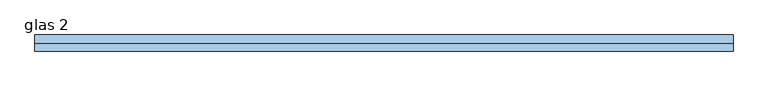
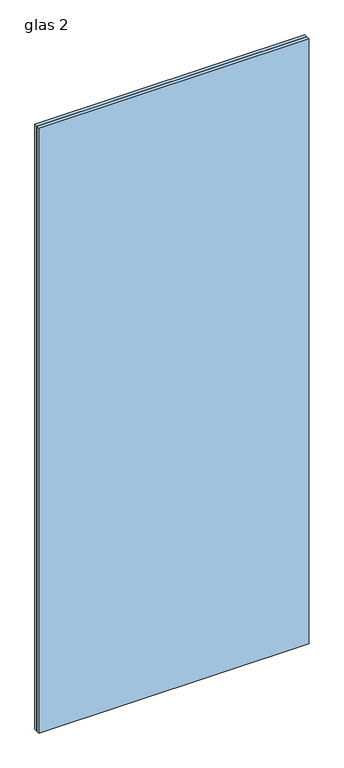
"""IFC4 building model written with IfcOpenShell, lengths in millimetres: window geometry, glas 2."""

import ifcopenshell
import ifcopenshell.guid

model = None  # the IFC model being written
_history = None  # IfcOwnerHistory: only IFC2X3 demands one
_inside = {}  # id of a spatial element -> (the spatial element, [elements in it])
_under = {}  # id of a project, library or spatial element -> (it, [spatial elements below it])
_declared = {}  # id of a project -> (the project, [libraries it declares])
_typed = {}  # id of a type object -> (the type object, [elements of that type])
_made_of = {}  # id of a material, layer set ... -> (it, [elements and type objects made of it])


def new_model(schema):
    """Start an empty IFC model of exactly this schema.

    Asked for "IFC4X3", IfcOpenShell would pick the latest addendum, in which some entities
    have other attributes; the version numbers below select the first issue.
    IFC2X3 requires an IfcOwnerHistory on every rooted entity: one is made here for all.
    """
    global model, _history
    if schema == "IFC4X3":
        model = ifcopenshell.file(schema_version=(4, 3, 0, 0))
    else:
        model = ifcopenshell.file(schema=schema)
    _inside.clear()
    _under.clear()
    _declared.clear()
    _typed.clear()
    _made_of.clear()
    _history = None
    if model.schema == "IFC2X3":
        org = make("IfcOrganization", Name="unknown")
        user = make(
            "IfcPersonAndOrganization",
            ThePerson=make("IfcPerson", FamilyName="unknown"),
            TheOrganization=org,
        )
        app = make(
            "IfcApplication",
            ApplicationDeveloper=org,
            Version="unknown",
            ApplicationFullName="unknown",
            ApplicationIdentifier="unknown",
        )
        _history = make(
            "IfcOwnerHistory",
            OwningUser=user,
            OwningApplication=app,
            ChangeAction="ADDED",
            CreationDate=0,
        )
    return model


def make(cls, **values):
    """One entity of the class cls with the attributes given. An attribute that is None is left unset."""
    return model.create_entity(
        cls, **{name: value for name, value in values.items() if value is not None}
    )


def rooted(cls, **values):
    """An entity with a GlobalId (a new one), such as an element, a storey or a relation."""
    return make(cls, GlobalId=ifcopenshell.guid.new(), OwnerHistory=_history, **values)


def si_unit(unit_type, name, prefix=None):
    """IfcSIUnit, for example si_unit("LENGTHUNIT", "METRE", prefix="MILLI")."""
    return make("IfcSIUnit", UnitType=unit_type, Prefix=prefix, Name=name)


def assignment(units):
    """IfcUnitAssignment: the units of a project."""
    return None if units is None else make("IfcUnitAssignment", Units=units)


def point(xyz):
    """IfcCartesianPoint."""
    return None if xyz is None else make("IfcCartesianPoint", Coordinates=xyz)


def direction(xyz):
    """IfcDirection."""
    return None if xyz is None else make("IfcDirection", DirectionRatios=xyz)


def frame(location, z_axis=None, x_axis=None):
    """IfcAxis2Placement3D, a coordinate frame: its origin and axes. An axis left out is left unset."""
    return make(
        "IfcAxis2Placement3D",
        Location=point(location),
        Axis=direction(z_axis),
        RefDirection=direction(x_axis),
    )


def origin():
    """The frame at (0, 0, 0) with its axes left unset."""
    return frame((0.0, 0.0, 0.0))


def origin_with_axes():
    """The frame at (0, 0, 0) with the z axis (0, 0, 1) and the x axis (1, 0, 0) written out."""
    return frame((0.0, 0.0, 0.0), z_axis=(0.0, 0.0, 1.0), x_axis=(1.0, 0.0, 0.0))


def place(relative_to, where):
    """IfcLocalPlacement: puts the frame where relative to a parent placement (None: the world)."""
    return make(
        "IfcLocalPlacement", PlacementRelTo=relative_to, RelativePlacement=where
    )


def context(
    kind, dimensions, precision=None, world=None, true_north=None, identifier=None
):
    """IfcGeometricRepresentationContext, for example the 3D "Model" context."""
    return make(
        "IfcGeometricRepresentationContext",
        ContextIdentifier=identifier,
        ContextType=kind,
        CoordinateSpaceDimension=dimensions,
        Precision=precision,
        WorldCoordinateSystem=world,
        TrueNorth=true_north,
    )


def project(units=None, contexts=None):
    """IfcProject with its units and contexts."""
    return rooted(
        "IfcProject",
        Name="project",
        RepresentationContexts=contexts,
        UnitsInContext=assignment(units),
    )


def spatial(cls, under=None, at=None, **own):
    """A site, building, storey or space (cls), placed at a placement, below another one or the project."""
    s = rooted(cls, ObjectPlacement=at, **own)
    if under is not None:
        _under.setdefault(under.id(), (under, []))[1].append(s)
    return s


def polyline(points):
    """IfcPolyline through the points."""
    return make("IfcPolyline", Points=[point(p) for p in points])


def outline(outer, holes=None, kind="AREA"):
    """IfcArbitraryClosedProfileDef: a profile drawn as a closed curve; with holes, ...WithVoids."""
    if holes is None:
        return make("IfcArbitraryClosedProfileDef", ProfileType=kind, OuterCurve=outer)
    return make(
        "IfcArbitraryProfileDefWithVoids",
        ProfileType=kind,
        OuterCurve=outer,
        InnerCurves=holes,
    )


def extrude(swept, where, along, depth):
    """IfcExtrudedAreaSolid: the profile swept, set in the frame where, extruded along a direction by depth."""
    return make(
        "IfcExtrudedAreaSolid",
        SweptArea=swept,
        Position=where,
        ExtrudedDirection=direction(along),
        Depth=depth,
    )


def shape(context_of_items, identifier, shape_type, items):
    """IfcShapeRepresentation: the items that make up one representation, for example the "Body"."""
    return make(
        "IfcShapeRepresentation",
        ContextOfItems=context_of_items,
        RepresentationIdentifier=identifier,
        RepresentationType=shape_type,
        Items=items,
    )


def source(mapping_origin, context_of_items, identifier, shape_type, items):
    """IfcRepresentationMap: a shape defined once, which mapped items show again and again."""
    return make(
        "IfcRepresentationMap",
        MappingOrigin=mapping_origin,
        MappedRepresentation=shape(context_of_items, identifier, shape_type, items),
    )


def transform(
    local_origin,
    x_axis=None,
    y_axis=None,
    z_axis=None,
    scale=None,
    scale2=None,
    scale3=None,
    uniform=True,
):
    """IfcCartesianTransformationOperator3D, or its non-uniform kind. x_axis, y_axis, z_axis: its Axis1, 2, 3."""
    if uniform:
        return make(
            "IfcCartesianTransformationOperator3D",
            Axis1=direction(x_axis),
            Axis2=direction(y_axis),
            LocalOrigin=point(local_origin),
            Scale=scale,
            Axis3=direction(z_axis),
        )
    return make(
        "IfcCartesianTransformationOperator3DnonUniform",
        Axis1=direction(x_axis),
        Axis2=direction(y_axis),
        LocalOrigin=point(local_origin),
        Scale=scale,
        Axis3=direction(z_axis),
        Scale2=scale2,
        Scale3=scale3,
    )


def mapped(mapping_source, mapping_target):
    """IfcMappedItem: shows the shape of a source again, moved by a transform."""
    return make(
        "IfcMappedItem", MappingSource=mapping_source, MappingTarget=mapping_target
    )


def made_of(thing, what):
    """Note that an element or type object is made of a material, layer set ...; save() writes the relation."""
    if what is not None:
        _made_of.setdefault(what.id(), (what, []))[1].append(thing)
    return thing


def element(
    cls,
    number,
    at=None,
    inside=None,
    cuts=None,
    type_object=None,
    material=None,
    context=None,
    identifier="Body",
    shape_type=None,
    held_by="IfcProductDefinitionShape",
    body=None,
    shapes=None,
    **own,
):
    """One element of the class cls, such as IfcWall. Its Tag is "e" and its number.

    at: its placement. inside: the storey or other place that contains it. cuts: it is an
    opening in that element (IfcRelVoidsElement). A single representation is given by context,
    identifier, shape_type and body (its items); several are given by shapes. held_by: the class
    of the entity that holds the representations. save() writes the other relations.
    """
    e = rooted(cls, Tag="e%d" % number, ObjectPlacement=at, **own)
    if body is not None:
        shapes = [shape(context, identifier, shape_type, body)]
    if shapes is not None:
        e.Representation = make(held_by, Representations=shapes)
    if inside is not None:
        _inside.setdefault(inside.id(), (inside, []))[1].append(e)
    if cuts is not None:
        rooted(
            "IfcRelVoidsElement", RelatingBuildingElement=cuts, RelatedOpeningElement=e
        )
    if type_object is not None:
        _typed.setdefault(type_object.id(), (type_object, []))[1].append(e)
    return made_of(e, material)


def aggregate(whole, parts):
    """IfcRelAggregates: a whole, such as a stair, and the parts it consists of."""
    return rooted("IfcRelAggregates", RelatingObject=whole, RelatedObjects=parts)


def save(model, path):
    """Write the relations noted so far, then the file.

    IfcRelAggregates (storeys below a building ...), IfcRelContainedInSpatialStructure (elements
    in a storey), IfcRelDefinesByType, IfcRelAssociatesMaterial and IfcRelDeclares: one each for
    every whole, place, type object, material and project.
    """
    for whole, parts in _under.values():
        aggregate(whole, parts)
    for where, things in _inside.values():
        rooted(
            "IfcRelContainedInSpatialStructure",
            RelatedElements=things,
            RelatingStructure=where,
        )
    for kind, things in _typed.values():
        rooted("IfcRelDefinesByType", RelatedObjects=things, RelatingType=kind)
    for what, things in _made_of.values():
        rooted("IfcRelAssociatesMaterial", RelatedObjects=things, RelatingMaterial=what)
    for by, libraries in _declared.values():
        rooted("IfcRelDeclares", RelatingContext=by, RelatedDefinitions=libraries)
    model.write(path)


def glas_2_a250cf64(model_context):
    return source(origin(), model_context, "Body", "SweptSolid", [
        extrude(outline(polyline([(-506.5, 12.0), (506.5, 12.0), (506.5, 0.0), (-506.5, 0.0), (-506.5, 12.0)])), origin_with_axes(), (0.0, 0.0, 1.0), 2399.5),
        extrude(outline(polyline([(-506.5, 0.0), (506.5, 0.0), (506.5, -12.0), (-506.5, -12.0), (-506.5, 0.0)])), origin_with_axes(), (0.0, 0.0, 1.0), 2399.5),
    ])


if __name__ == "__main__":
    model = new_model("IFC4")
    model_context = context("Model", 3, world=origin())
    ifc_project = project(units=[si_unit("LENGTHUNIT", "METRE", prefix="MILLI")], contexts=[model_context])
    site = spatial("IfcSite", under=ifc_project)
    building = spatial("IfcBuilding", under=site)
    placement = place(None, origin())
    glas_2_shape = glas_2_a250cf64(model_context)
    element("IfcWindow", 1, ObjectType="glas 2", at=placement, inside=building, context=model_context, shape_type="MappedRepresentation", body=[
        mapped(glas_2_shape, transform((0.0, 0.0, 0.0), x_axis=(1.0, 0.0, 0.0), y_axis=(0.0, 1.0, 0.0), z_axis=(0.0, 0.0, 1.0))),
    ])
    save(model, "model.ifc")
